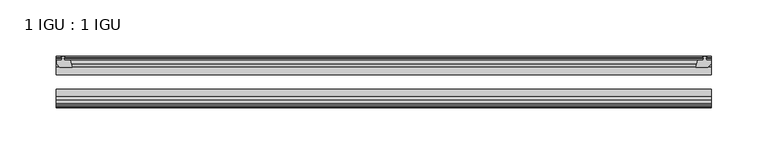
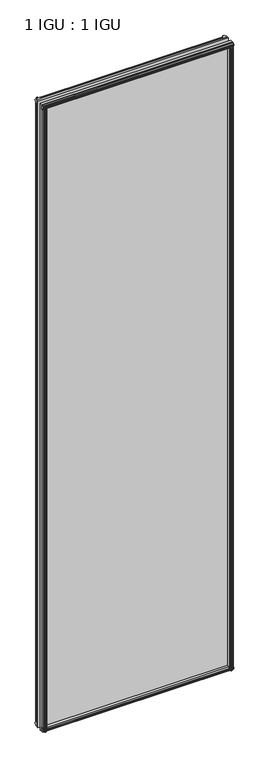
"""IFC4 building model written with IfcOpenShell, lengths in millimetres: plate geometry, 1 IGU : 1 IGU."""

from ifc_helpers import new_model, si_unit, frame, origin, place, context, project, spatial, polyline, outline, extrude, source, transform, mapped, element, save


def plate_1_igu_1_igu_4bec02b8(model_context):
    return source(origin(), model_context, "Body", "SweptSolid", [
        extrude(outline(polyline([(271.0875399, -10.4746158), (273.2650689, -9.7670938), (275.442598, -10.4746158), (275.442598, -11.27583), (274.0270689, -10.8158968), (274.4080689, -13.1960938), (278.8530689, -13.1960938), (278.8530689, -16.1424938), (276.0187268, -19.5460938), (265.1973509, -19.5460938), (266.9150689, -13.1960938), (272.1220689, -13.1960938), (272.5030689, -10.8158968), (271.0875399, -11.27583), (271.0875399, -10.4746158)])), frame((0.0, 0.0, -12.4587), z_axis=(0.0, 0.0, 1.0), x_axis=(1.0, 0.0, 0.0)), (0.0, 0.0, 1.0), 2018.8173999),
        extrude(outline(polyline([(-295.7877252, -9.7670937), (-293.6101961, -10.4746158), (-293.6101961, -11.27583), (-295.0257252, -10.8158968), (-294.6447252, -13.1960937), (-289.4377252, -13.1960937), (-287.7200071, -19.5460937), (-298.541383, -19.5460937), (-301.3757252, -16.1424937), (-301.3757252, -13.1960937), (-296.9307252, -13.1960937), (-296.5497252, -10.8158968), (-297.9652542, -11.27583), (-297.9652542, -10.4746158), (-295.7877252, -9.7670937)])), frame((0.0, 0.0, -12.4587), z_axis=(0.0, 0.0, 1.0), x_axis=(1.0, 0.0, 0.0)), (0.0, 0.0, 1.0), 2018.8173999),
        extrude(outline(polyline([(264.6799528, -44.9460938), (275.5013288, -44.9460938), (278.3356709, -48.3496938), (278.3356709, -51.2960938), (273.8906709, -51.2960938), (273.5096709, -53.6762907), (274.9252, -53.2163575), (274.9252, -54.0175717), (272.7476709, -54.7250938), (270.5701419, -54.0175717), (270.5701419, -53.2163575), (271.9856709, -53.6762907), (271.6046709, -51.2960938), (266.3976709, -51.2960938), (264.6799528, -44.9460938)])), frame((0.0, 0.0, -12.4587), z_axis=(0.0, 0.0, 1.0), x_axis=(1.0, 0.0, 0.0)), (0.0, 0.0, 1.0), 2006.1173999),
        extrude(outline(polyline([(-287.1993071, -44.9460937), (-288.9170252, -51.2960937), (-294.1240252, -51.2960937), (-294.5050252, -53.6762907), (-293.0894961, -53.2163575), (-293.0894961, -54.0175717), (-295.2670252, -54.7250937), (-297.4445542, -54.0175717), (-297.4445542, -53.2163575), (-296.0290252, -53.6762907), (-296.4100252, -51.2960937), (-300.8550252, -51.2960937), (-300.8550252, -48.3496937), (-298.020683, -44.9460937), (-287.1993071, -44.9460937)])), frame((0.0, 0.0, -12.4587), z_axis=(0.0, 0.0, 1.0), x_axis=(1.0, 0.0, 0.0)), (0.0, 0.0, 1.0), 2006.1173999),
        extrude(outline(polyline([(-10.4746158, -4.6931709), (-9.7670937, -6.8707), (-10.4746158, -9.0482291), (-11.27583, -9.0482291), (-10.8158968, -7.6327), (-13.1960937, -8.0137), (-13.1960937, -12.4587), (-16.1424937, -12.4587), (-19.5460937, -9.6243578), (-19.5460937, 1.1970181), (-13.1960937, -0.5207), (-13.1960937, -5.7277), (-10.8158968, -6.1087), (-11.27583, -4.6931709), (-10.4746158, -4.6931709)])), frame((-301.6170252, 0.0, 0.0), z_axis=(1.0, 0.0, 0.0), x_axis=(0.0, 1.0, 0.0)), (0.0, 0.0, 1.0), 580.5129566),
        extrude(outline(polyline([(-44.9460937, 1.7177181), (-44.9460937, -9.1036578), (-48.3496937, -11.938), (-51.2960937, -11.938), (-51.2960937, -7.493), (-53.6762907, -7.112), (-53.2163575, -8.5275291), (-54.0175717, -8.5275291), (-54.7250937, -6.35), (-54.0175717, -4.1724709), (-53.2163575, -4.1724709), (-53.6762907, -5.588), (-51.2960937, -5.207), (-51.2960937, 0.0), (-44.9460937, 1.7177181)])), frame((-301.6170252, 0.0, 0.0), z_axis=(1.0, 0.0, 0.0), x_axis=(0.0, 1.0, 0.0)), (0.0, 0.0, 1.0), 580.5129566),
        extrude(outline(polyline([(-10.8158968, 2001.5326999), (-11.27583, 2002.948229), (-10.4746158, 2002.948229), (-9.7670937, 2000.7706999), (-10.4746158, 1998.5931709), (-11.27583, 1998.5931709), (-10.8158968, 2000.0086999), (-13.1960937, 1999.6276999), (-13.1960937, 1994.4206999), (-19.5460938, 1992.7029819), (-19.5460938, 2003.5243578), (-16.1424937, 2006.3586999), (-13.1960937, 2006.3586999), (-13.1960937, 2001.9136999), (-10.8158968, 2001.5326999)])), frame((-301.6170252, 0.0, 0.0), z_axis=(1.0, 0.0, 0.0), x_axis=(0.0, 1.0, 0.0)), (0.0, 0.0, 1.0), 580.5129566),
        extrude(outline(polyline([(-51.2960937, 2005.8379999), (-48.3496937, 2005.8379999), (-44.9460938, 2003.0036578), (-44.9460938, 1992.1822819), (-51.2960937, 1993.8999999), (-51.2960937, 1999.1069999), (-53.6762907, 1999.4879999), (-53.2163575, 1998.0724709), (-54.0175717, 1998.0724709), (-54.7250937, 2000.2499999), (-54.0175717, 2002.427529), (-53.2163575, 2002.427529), (-53.6762907, 2001.0119999), (-51.2960937, 2001.3929999), (-51.2960937, 2005.8379999)])), frame((-301.6170252, 0.0, 0.0), z_axis=(1.0, 0.0, 0.0), x_axis=(0.0, 1.0, 0.0)), (0.0, 0.0, 1.0), 580.5129566),
        extrude(outline(polyline([(-301.6170252, -38.9186738), (278.8959314, -38.9186738), (278.8959314, -44.9460937), (-301.6170252, -44.9460937), (-301.6170252, -38.9186738)])), frame((0.0, 0.0, -12.7), z_axis=(0.0, 0.0, 1.0), x_axis=(1.0, 0.0, 0.0)), (0.0, 0.0, 1.0), 2019.2999999),
        extrude(outline(polyline([(-301.6170252, -19.5460937), (278.8959314, -19.5460937), (278.8959314, -25.8960938), (-301.6170252, -25.8960938), (-301.6170252, -19.5460937)])), frame((0.0, 0.0, -12.7), z_axis=(0.0, 0.0, 1.0), x_axis=(1.0, 0.0, 0.0)), (0.0, 0.0, 1.0), 2019.2999999),
    ])


if __name__ == "__main__":
    model = new_model("IFC4")
    model_context = context("Model", 3, world=origin())
    ifc_project = project(units=[si_unit("LENGTHUNIT", "METRE", prefix="MILLI")], contexts=[model_context])
    site = spatial("IfcSite", under=ifc_project)
    building = spatial("IfcBuilding", under=site)
    placement = place(None, origin())
    plate_1_igu_1_igu_shape = plate_1_igu_1_igu_4bec02b8(model_context)
    element("IfcPlate", 1, ObjectType="1 IGU : 1 IGU", at=placement, inside=building, context=model_context, shape_type="MappedRepresentation", body=[
        mapped(plate_1_igu_1_igu_shape, transform((0.0, 0.0, 0.0), x_axis=(1.0, 0.0, 0.0), y_axis=(0.0, 1.0, 0.0), z_axis=(0.0, 0.0, 1.0))),
    ])
    save(model, "model.ifc")
